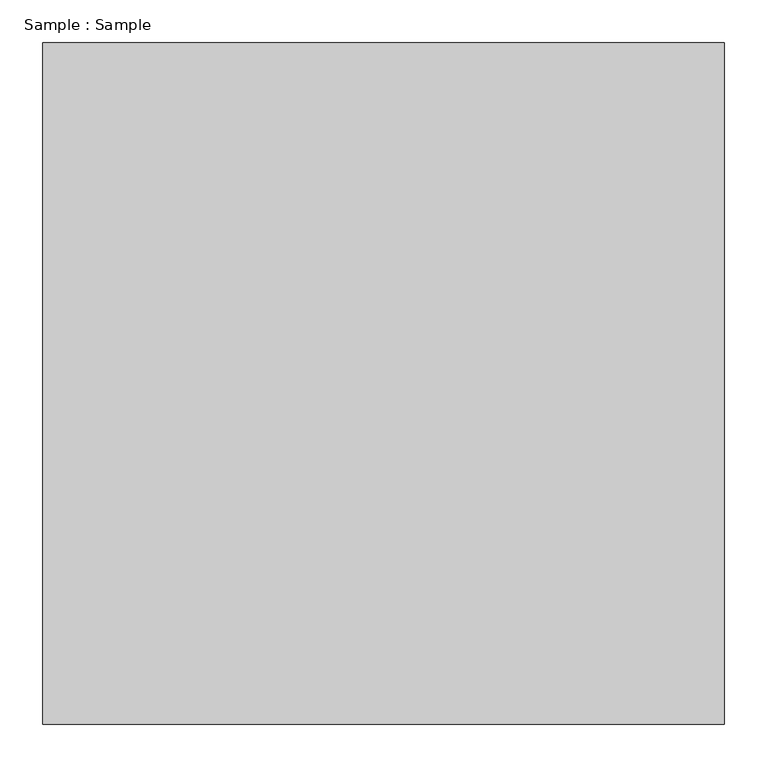
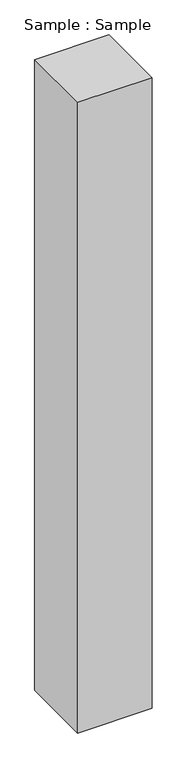
"""IFC4 building model written with IfcOpenShell, lengths in millimetres: proxy geometry, Sample : Sample."""

from ifc_helpers import new_model, si_unit, origin, origin_with_axes, place, context, project, spatial, polyline, outline, extrude, source, transform, mapped, element, save


def sample_sample_6bf70307(model_context):
    return source(origin(), model_context, "Body", "SweptSolid", [
        extrude(outline(polyline([(400.0, 400.0), (400.0, -400.0), (-400.0, -400.0), (-400.0, 400.0), (400.0, 400.0)])), origin_with_axes(), (0.0, 0.0, 1.0), 7172.4137931),
    ])


if __name__ == "__main__":
    model = new_model("IFC4")
    model_context = context("Model", 3, world=origin())
    ifc_project = project(units=[si_unit("LENGTHUNIT", "METRE", prefix="MILLI")], contexts=[model_context])
    site = spatial("IfcSite", under=ifc_project)
    building = spatial("IfcBuilding", under=site)
    placement = place(None, origin())
    sample_sample_shape = sample_sample_6bf70307(model_context)
    element("IfcBuildingElementProxy", 1, Name="Sample : Sample", ObjectType="Sample : Sample", at=placement, inside=building, context=model_context, shape_type="MappedRepresentation", body=[
        mapped(sample_sample_shape, transform((0.0, 0.0, 0.0), x_axis=(1.0, 0.0, 0.0), y_axis=(0.0, 1.0, 0.0), z_axis=(0.0, 0.0, 1.0))),
    ])
    save(model, "model.ifc")
